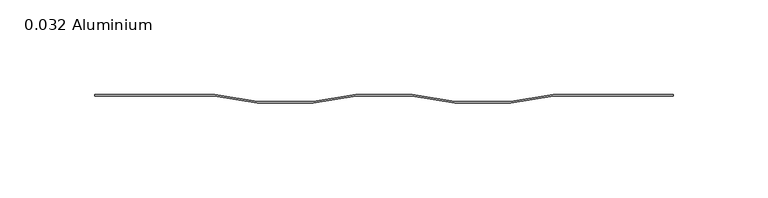
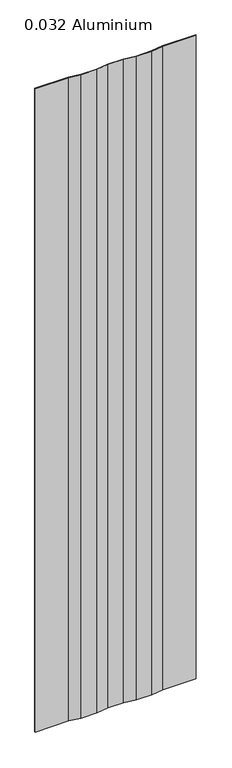
"""IFC4 building model written with IfcOpenShell, lengths in millimetres: plate geometry, 0.032 Aluminium."""

from ifc_helpers import new_model, si_unit, origin, origin_with_axes, place, context, project, spatial, polyline, outline, extrude, source, transform, mapped, element, save


def plate_0_032_aluminium_fd951f71(model_context):
    return source(origin(), model_context, "Body", "SweptSolid", [
        extrude(outline(polyline([(-89.30386, 0.8128), (-66.80708, -2.73558), (-37.26688, -2.73558), (-14.7701, 0.8128), (14.7701, 0.8128), (37.26688, -2.73558), (66.80708, -2.73558), (89.30386, 0.8128), (152.4, 0.8128), (152.4, 0.0), (89.367567, 0.0), (66.870787, -3.54838), (37.203173, -3.54838), (14.706393, 0.0), (-14.706393, 0.0), (-37.203173, -3.54838), (-66.870787, -3.54838), (-89.367567, 0.0), (-152.4, 0.0), (-152.4, 0.8128), (-89.30386, 0.8128)])), origin_with_axes(), (0.0, 0.0, 1.0), 1285.875),
    ])


if __name__ == "__main__":
    model = new_model("IFC4")
    model_context = context("Model", 3, world=origin())
    ifc_project = project(units=[si_unit("LENGTHUNIT", "METRE", prefix="MILLI")], contexts=[model_context])
    site = spatial("IfcSite", under=ifc_project)
    building = spatial("IfcBuilding", under=site)
    placement = place(None, origin())
    plate_0_032_aluminium_shape = plate_0_032_aluminium_fd951f71(model_context)
    element("IfcPlate", 1, ObjectType="0.032 Aluminium", at=placement, inside=building, context=model_context, shape_type="MappedRepresentation", body=[
        mapped(plate_0_032_aluminium_shape, transform((0.0, 0.0, 0.0), x_axis=(1.0, 0.0, 0.0), y_axis=(0.0, 1.0, 0.0), z_axis=(0.0, 0.0, 1.0))),
    ])
    save(model, "model.ifc")
